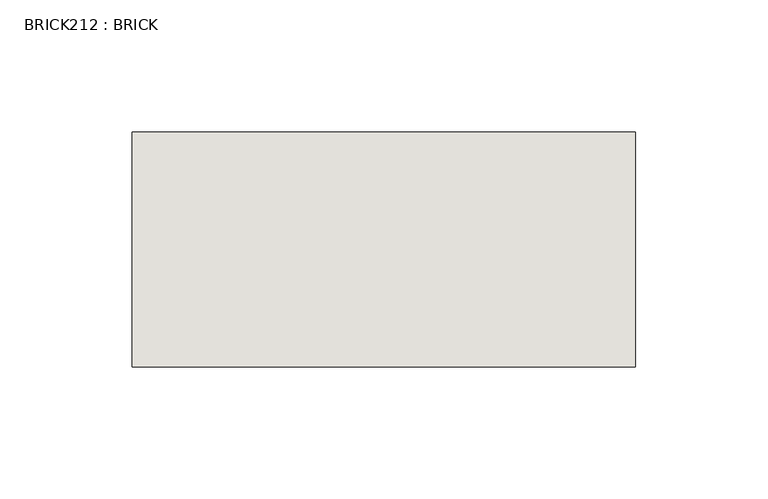
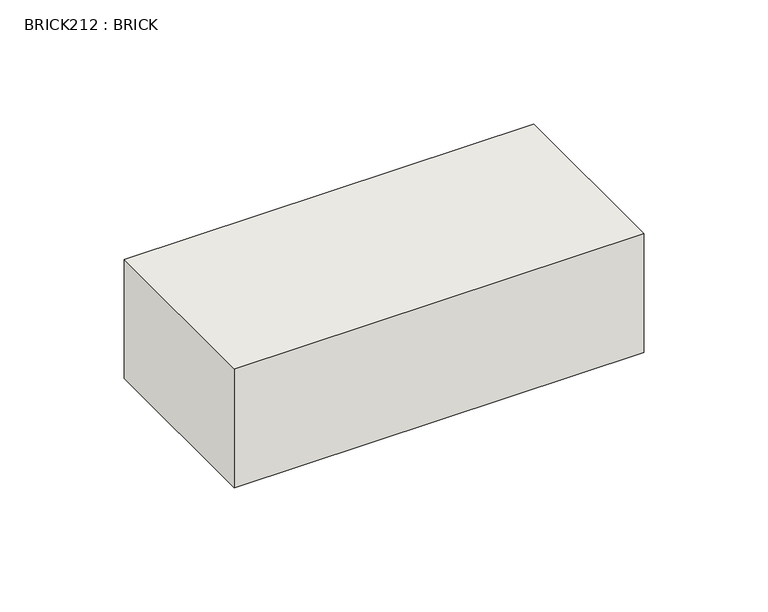
"""IFC4 building model written with IfcOpenShell, lengths in millimetres: wall geometry, BRICK212 : BRICK."""

from ifc_helpers import new_model, si_unit, frame, origin, place, context, project, spatial, polyline, outline, extrude, source, transform, mapped, element, save


def brick212_brick_83d2a758(model_context):
    return source(origin(), model_context, "Body", "SweptSolid", [
        extrude(outline(polyline([(-1074.6574357, 3062.3923312), (-884.1574357, 3062.3923312), (-884.1574357, 2973.4923312), (-1074.6574357, 2973.4923312), (-1074.6574357, 3062.3923312)])), frame((0.0, 0.0, 4.1671875), z_axis=(0.0, 0.0, 1.0), x_axis=(1.0, 0.0, 0.0)), (0.0, 0.0, 1.0), 58.4398438),
    ])


if __name__ == "__main__":
    model = new_model("IFC4")
    model_context = context("Model", 3, world=origin())
    ifc_project = project(units=[si_unit("LENGTHUNIT", "METRE", prefix="MILLI")], contexts=[model_context])
    site = spatial("IfcSite", under=ifc_project)
    building = spatial("IfcBuilding", under=site)
    placement = place(None, origin())
    brick212_brick_shape = brick212_brick_83d2a758(model_context)
    element("IfcWall", 1, ObjectType="BRICK212 : BRICK", at=placement, inside=building, context=model_context, shape_type="MappedRepresentation", body=[
        mapped(brick212_brick_shape, transform((0.0, 0.0, 0.0), x_axis=(1.0, 0.0, 0.0), y_axis=(0.0, 1.0, 0.0), z_axis=(0.0, 0.0, 1.0))),
    ])
    save(model, "model.ifc")
